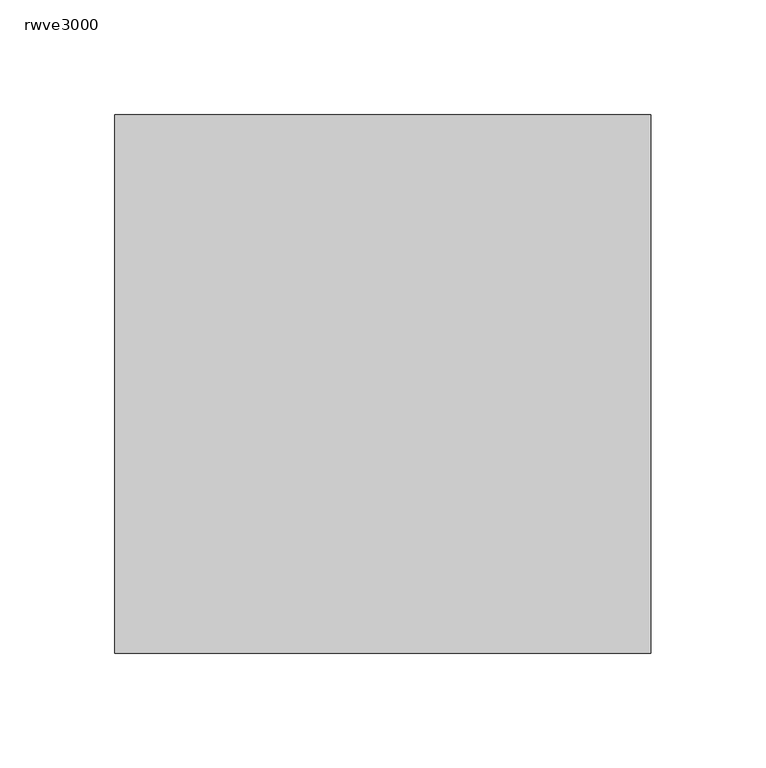
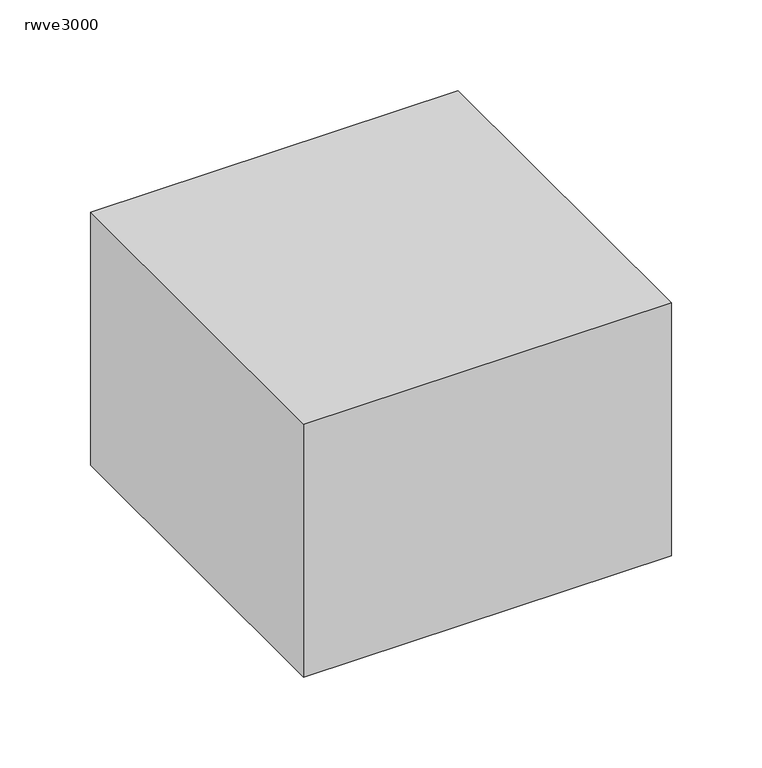
"""IFC4 building model written with IfcOpenShell, lengths in millimetres: proxy geometry, rwve3000."""

import ifcopenshell
import ifcopenshell.guid

model = None  # the IFC model being written
_history = None  # IfcOwnerHistory: only IFC2X3 demands one
_inside = {}  # id of a spatial element -> (the spatial element, [elements in it])
_under = {}  # id of a project, library or spatial element -> (it, [spatial elements below it])
_declared = {}  # id of a project -> (the project, [libraries it declares])
_typed = {}  # id of a type object -> (the type object, [elements of that type])
_made_of = {}  # id of a material, layer set ... -> (it, [elements and type objects made of it])


def new_model(schema):
    """Start an empty IFC model of exactly this schema.

    Asked for "IFC4X3", IfcOpenShell would pick the latest addendum, in which some entities
    have other attributes; the version numbers below select the first issue.
    IFC2X3 requires an IfcOwnerHistory on every rooted entity: one is made here for all.
    """
    global model, _history
    if schema == "IFC4X3":
        model = ifcopenshell.file(schema_version=(4, 3, 0, 0))
    else:
        model = ifcopenshell.file(schema=schema)
    _inside.clear()
    _under.clear()
    _declared.clear()
    _typed.clear()
    _made_of.clear()
    _history = None
    if model.schema == "IFC2X3":
        org = make("IfcOrganization", Name="unknown")
        user = make(
            "IfcPersonAndOrganization",
            ThePerson=make("IfcPerson", FamilyName="unknown"),
            TheOrganization=org,
        )
        app = make(
            "IfcApplication",
            ApplicationDeveloper=org,
            Version="unknown",
            ApplicationFullName="unknown",
            ApplicationIdentifier="unknown",
        )
        _history = make(
            "IfcOwnerHistory",
            OwningUser=user,
            OwningApplication=app,
            ChangeAction="ADDED",
            CreationDate=0,
        )
    return model


def make(cls, **values):
    """One entity of the class cls with the attributes given. An attribute that is None is left unset."""
    return model.create_entity(
        cls, **{name: value for name, value in values.items() if value is not None}
    )


def rooted(cls, **values):
    """An entity with a GlobalId (a new one), such as an element, a storey or a relation."""
    return make(cls, GlobalId=ifcopenshell.guid.new(), OwnerHistory=_history, **values)


def si_unit(unit_type, name, prefix=None):
    """IfcSIUnit, for example si_unit("LENGTHUNIT", "METRE", prefix="MILLI")."""
    return make("IfcSIUnit", UnitType=unit_type, Prefix=prefix, Name=name)


def assignment(units):
    """IfcUnitAssignment: the units of a project."""
    return None if units is None else make("IfcUnitAssignment", Units=units)


def point(xyz):
    """IfcCartesianPoint."""
    return None if xyz is None else make("IfcCartesianPoint", Coordinates=xyz)


def direction(xyz):
    """IfcDirection."""
    return None if xyz is None else make("IfcDirection", DirectionRatios=xyz)


def frame(location, z_axis=None, x_axis=None):
    """IfcAxis2Placement3D, a coordinate frame: its origin and axes. An axis left out is left unset."""
    return make(
        "IfcAxis2Placement3D",
        Location=point(location),
        Axis=direction(z_axis),
        RefDirection=direction(x_axis),
    )


def origin():
    """The frame at (0, 0, 0) with its axes left unset."""
    return frame((0.0, 0.0, 0.0))


def place(relative_to, where):
    """IfcLocalPlacement: puts the frame where relative to a parent placement (None: the world)."""
    return make(
        "IfcLocalPlacement", PlacementRelTo=relative_to, RelativePlacement=where
    )


def context(
    kind, dimensions, precision=None, world=None, true_north=None, identifier=None
):
    """IfcGeometricRepresentationContext, for example the 3D "Model" context."""
    return make(
        "IfcGeometricRepresentationContext",
        ContextIdentifier=identifier,
        ContextType=kind,
        CoordinateSpaceDimension=dimensions,
        Precision=precision,
        WorldCoordinateSystem=world,
        TrueNorth=true_north,
    )


def project(units=None, contexts=None):
    """IfcProject with its units and contexts."""
    return rooted(
        "IfcProject",
        Name="project",
        RepresentationContexts=contexts,
        UnitsInContext=assignment(units),
    )


def spatial(cls, under=None, at=None, **own):
    """A site, building, storey or space (cls), placed at a placement, below another one or the project."""
    s = rooted(cls, ObjectPlacement=at, **own)
    if under is not None:
        _under.setdefault(under.id(), (under, []))[1].append(s)
    return s


def polyline(points):
    """IfcPolyline through the points."""
    return make("IfcPolyline", Points=[point(p) for p in points])


def outline(outer, holes=None, kind="AREA"):
    """IfcArbitraryClosedProfileDef: a profile drawn as a closed curve; with holes, ...WithVoids."""
    if holes is None:
        return make("IfcArbitraryClosedProfileDef", ProfileType=kind, OuterCurve=outer)
    return make(
        "IfcArbitraryProfileDefWithVoids",
        ProfileType=kind,
        OuterCurve=outer,
        InnerCurves=holes,
    )


def extrude(swept, where, along, depth):
    """IfcExtrudedAreaSolid: the profile swept, set in the frame where, extruded along a direction by depth."""
    return make(
        "IfcExtrudedAreaSolid",
        SweptArea=swept,
        Position=where,
        ExtrudedDirection=direction(along),
        Depth=depth,
    )


def shape(context_of_items, identifier, shape_type, items):
    """IfcShapeRepresentation: the items that make up one representation, for example the "Body"."""
    return make(
        "IfcShapeRepresentation",
        ContextOfItems=context_of_items,
        RepresentationIdentifier=identifier,
        RepresentationType=shape_type,
        Items=items,
    )


def source(mapping_origin, context_of_items, identifier, shape_type, items):
    """IfcRepresentationMap: a shape defined once, which mapped items show again and again."""
    return make(
        "IfcRepresentationMap",
        MappingOrigin=mapping_origin,
        MappedRepresentation=shape(context_of_items, identifier, shape_type, items),
    )


def transform(
    local_origin,
    x_axis=None,
    y_axis=None,
    z_axis=None,
    scale=None,
    scale2=None,
    scale3=None,
    uniform=True,
):
    """IfcCartesianTransformationOperator3D, or its non-uniform kind. x_axis, y_axis, z_axis: its Axis1, 2, 3."""
    if uniform:
        return make(
            "IfcCartesianTransformationOperator3D",
            Axis1=direction(x_axis),
            Axis2=direction(y_axis),
            LocalOrigin=point(local_origin),
            Scale=scale,
            Axis3=direction(z_axis),
        )
    return make(
        "IfcCartesianTransformationOperator3DnonUniform",
        Axis1=direction(x_axis),
        Axis2=direction(y_axis),
        LocalOrigin=point(local_origin),
        Scale=scale,
        Axis3=direction(z_axis),
        Scale2=scale2,
        Scale3=scale3,
    )


def mapped(mapping_source, mapping_target):
    """IfcMappedItem: shows the shape of a source again, moved by a transform."""
    return make(
        "IfcMappedItem", MappingSource=mapping_source, MappingTarget=mapping_target
    )


def made_of(thing, what):
    """Note that an element or type object is made of a material, layer set ...; save() writes the relation."""
    if what is not None:
        _made_of.setdefault(what.id(), (what, []))[1].append(thing)
    return thing


def element(
    cls,
    number,
    at=None,
    inside=None,
    cuts=None,
    type_object=None,
    material=None,
    context=None,
    identifier="Body",
    shape_type=None,
    held_by="IfcProductDefinitionShape",
    body=None,
    shapes=None,
    **own,
):
    """One element of the class cls, such as IfcWall. Its Tag is "e" and its number.

    at: its placement. inside: the storey or other place that contains it. cuts: it is an
    opening in that element (IfcRelVoidsElement). A single representation is given by context,
    identifier, shape_type and body (its items); several are given by shapes. held_by: the class
    of the entity that holds the representations. save() writes the other relations.
    """
    e = rooted(cls, Tag="e%d" % number, ObjectPlacement=at, **own)
    if body is not None:
        shapes = [shape(context, identifier, shape_type, body)]
    if shapes is not None:
        e.Representation = make(held_by, Representations=shapes)
    if inside is not None:
        _inside.setdefault(inside.id(), (inside, []))[1].append(e)
    if cuts is not None:
        rooted(
            "IfcRelVoidsElement", RelatingBuildingElement=cuts, RelatedOpeningElement=e
        )
    if type_object is not None:
        _typed.setdefault(type_object.id(), (type_object, []))[1].append(e)
    return made_of(e, material)


def aggregate(whole, parts):
    """IfcRelAggregates: a whole, such as a stair, and the parts it consists of."""
    return rooted("IfcRelAggregates", RelatingObject=whole, RelatedObjects=parts)


def save(model, path):
    """Write the relations noted so far, then the file.

    IfcRelAggregates (storeys below a building ...), IfcRelContainedInSpatialStructure (elements
    in a storey), IfcRelDefinesByType, IfcRelAssociatesMaterial and IfcRelDeclares: one each for
    every whole, place, type object, material and project.
    """
    for whole, parts in _under.values():
        aggregate(whole, parts)
    for where, things in _inside.values():
        rooted(
            "IfcRelContainedInSpatialStructure",
            RelatedElements=things,
            RelatingStructure=where,
        )
    for kind, things in _typed.values():
        rooted("IfcRelDefinesByType", RelatedObjects=things, RelatingType=kind)
    for what, things in _made_of.values():
        rooted("IfcRelAssociatesMaterial", RelatedObjects=things, RelatingMaterial=what)
    for by, libraries in _declared.values():
        rooted("IfcRelDeclares", RelatingContext=by, RelatedDefinitions=libraries)
    model.write(path)


def rwve3000_2d3d771f(model_context):
    return source(origin(), model_context, "Body", "SweptSolid", [
        extrude(outline(polyline([(116.967, 117.475), (116.967, -117.475), (-116.967, -117.475), (-116.967, 117.475), (116.967, 117.475)])), frame((0.0, 0.0, 1129.0854688), z_axis=(0.0, 0.0, 1.0), x_axis=(1.0, 0.0, 0.0)), (0.0, 0.0, 1.0), 170.1601563),
    ])


if __name__ == "__main__":
    model = new_model("IFC4")
    model_context = context("Model", 3, world=origin())
    ifc_project = project(units=[si_unit("LENGTHUNIT", "METRE", prefix="MILLI")], contexts=[model_context])
    site = spatial("IfcSite", under=ifc_project)
    building = spatial("IfcBuilding", under=site)
    placement = place(None, origin())
    rwve3000_shape = rwve3000_2d3d771f(model_context)
    element("IfcBuildingElementProxy", 1, Name="rwve3000", ObjectType="rwve3000", at=placement, inside=building, context=model_context, shape_type="MappedRepresentation", body=[
        mapped(rwve3000_shape, transform((0.0, 0.0, 0.0), x_axis=(1.0, 0.0, 0.0), y_axis=(0.0, 1.0, 0.0), z_axis=(0.0, 0.0, 1.0))),
    ])
    save(model, "model.ifc")
